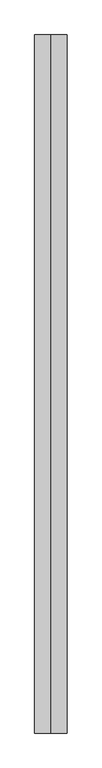
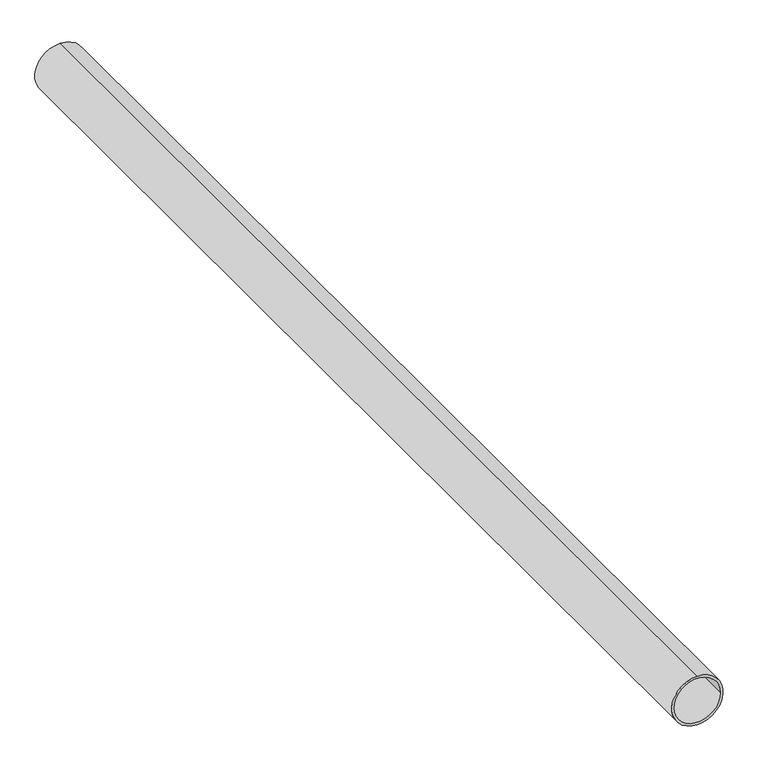
"""IFC4 building model written with IfcOpenShell, lengths in millimetres: proxy geometry."""

from ifc_helpers import new_model, si_unit, point, frame, origin, origin_2d, place, context, project, spatial, circle_curve, trimmed, segment, composite_curve, outline, extrude, source, transform, mapped, element, save


def generic_models_4234c9a8(model_context):
    return source(origin(), model_context, "Body", "SweptSolid", [
        extrude(outline(composite_curve([segment(trimmed(circle_curve(origin_2d(), 100.0), [point((-100.0, 0.0))], [point((100.0, 0.0))], False, "CARTESIAN"), True, "CONTINUOUS"), segment(trimmed(circle_curve(origin_2d(), 100.0), [point((100.0, 0.0))], [point((-100.0, 0.0))], False, "CARTESIAN"), True, "CONTINUOUS")], self_intersect=False), holes=[composite_curve([segment(trimmed(circle_curve(origin_2d(), 90.0), [point((0.0, 90.0))], [point((0.0, -90.0))], True, "CARTESIAN"), True, "CONTINUOUS"), segment(trimmed(circle_curve(origin_2d(), 90.0), [point((0.0, -90.0))], [point((0.0, 90.0))], True, "CARTESIAN"), True, "CONTINUOUS")], self_intersect=False)]), frame((0.0, 0.0, 0.0), z_axis=(0.0, 1.0, 0.0), x_axis=(0.0, 0.0, 1.0)), (0.0, 0.0, 1.0), 4300.0),
    ])


if __name__ == "__main__":
    model = new_model("IFC4")
    model_context = context("Model", 3, world=origin())
    ifc_project = project(units=[si_unit("LENGTHUNIT", "METRE", prefix="MILLI")], contexts=[model_context])
    site = spatial("IfcSite", under=ifc_project)
    building = spatial("IfcBuilding", under=site)
    placement = place(None, origin())
    generic_models_shape = generic_models_4234c9a8(model_context)
    element("IfcBuildingElementProxy", 1, Name="Generic Models", at=placement, inside=building, context=model_context, shape_type="MappedRepresentation", body=[
        mapped(generic_models_shape, transform((0.0, 0.0, 0.0), x_axis=(1.0, 0.0, 0.0), y_axis=(0.0, 1.0, 0.0), z_axis=(0.0, 0.0, 1.0))),
    ])
    save(model, "model.ifc")
